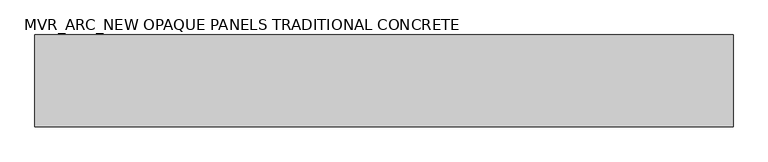
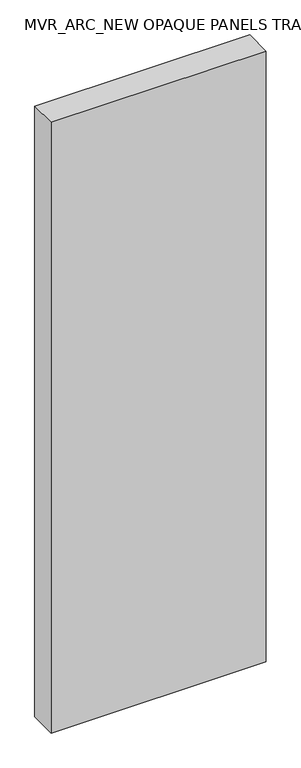
"""IFC4 building model written with IfcOpenShell, lengths in millimetres: plate geometry, MVR_ARC_NEW OPAQUE PANELS TRADITIONAL CONCRETE."""

from ifc_helpers import new_model, si_unit, origin, origin_with_axes, place, context, project, spatial, polyline, outline, extrude, source, transform, mapped, element, save


def mvr_arc_new_opaque_panels_traditional_concrete_02032d21(model_context):
    return source(origin(), model_context, "Body", "SweptSolid", [
        extrude(outline(polyline([(800.0, -150.0), (-800.0, -150.0), (-800.0, 60.0), (800.0, 60.0), (800.0, -150.0)])), origin_with_axes(), (0.0, 0.0, 1.0), 4800.0),
    ])


if __name__ == "__main__":
    model = new_model("IFC4")
    model_context = context("Model", 3, world=origin())
    ifc_project = project(units=[si_unit("LENGTHUNIT", "METRE", prefix="MILLI")], contexts=[model_context])
    site = spatial("IfcSite", under=ifc_project)
    building = spatial("IfcBuilding", under=site)
    placement = place(None, origin())
    mvr_arc_new_opaque_panels_traditional_concrete_shape = mvr_arc_new_opaque_panels_traditional_concrete_02032d21(model_context)
    element("IfcPlate", 1, ObjectType="MVR_ARC_NEW OPAQUE PANELS TRADITIONAL CONCRETE", at=placement, inside=building, context=model_context, shape_type="MappedRepresentation", body=[
        mapped(mvr_arc_new_opaque_panels_traditional_concrete_shape, transform((0.0, 0.0, 0.0), x_axis=(1.0, 0.0, 0.0), y_axis=(0.0, 1.0, 0.0), z_axis=(0.0, 0.0, 1.0))),
    ])
    save(model, "model.ifc")
